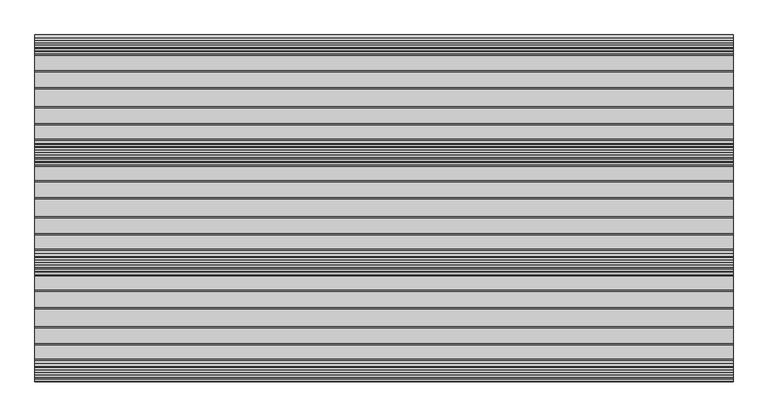
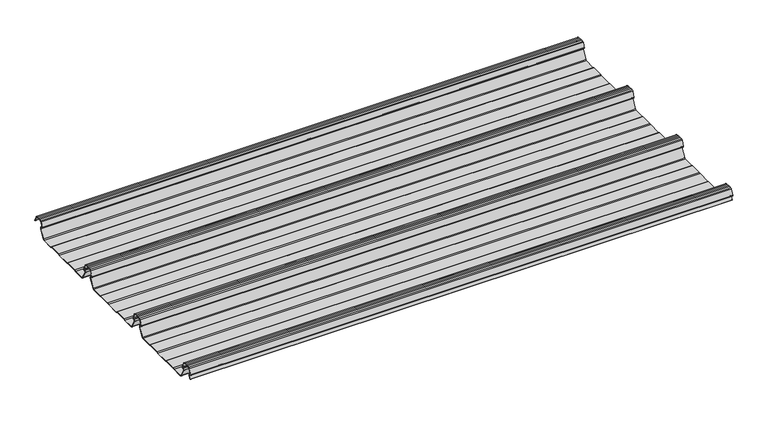
"""IFC4 building model written with IfcOpenShell, lengths in millimetres: beam geometry."""

import ifcopenshell
import ifcopenshell.guid

model = None  # the IFC model being written
_history = None  # IfcOwnerHistory: only IFC2X3 demands one
_inside = {}  # id of a spatial element -> (the spatial element, [elements in it])
_under = {}  # id of a project, library or spatial element -> (it, [spatial elements below it])
_declared = {}  # id of a project -> (the project, [libraries it declares])
_typed = {}  # id of a type object -> (the type object, [elements of that type])
_made_of = {}  # id of a material, layer set ... -> (it, [elements and type objects made of it])


def new_model(schema):
    """Start an empty IFC model of exactly this schema.

    Asked for "IFC4X3", IfcOpenShell would pick the latest addendum, in which some entities
    have other attributes; the version numbers below select the first issue.
    IFC2X3 requires an IfcOwnerHistory on every rooted entity: one is made here for all.
    """
    global model, _history
    if schema == "IFC4X3":
        model = ifcopenshell.file(schema_version=(4, 3, 0, 0))
    else:
        model = ifcopenshell.file(schema=schema)
    _inside.clear()
    _under.clear()
    _declared.clear()
    _typed.clear()
    _made_of.clear()
    _history = None
    if model.schema == "IFC2X3":
        org = make("IfcOrganization", Name="unknown")
        user = make(
            "IfcPersonAndOrganization",
            ThePerson=make("IfcPerson", FamilyName="unknown"),
            TheOrganization=org,
        )
        app = make(
            "IfcApplication",
            ApplicationDeveloper=org,
            Version="unknown",
            ApplicationFullName="unknown",
            ApplicationIdentifier="unknown",
        )
        _history = make(
            "IfcOwnerHistory",
            OwningUser=user,
            OwningApplication=app,
            ChangeAction="ADDED",
            CreationDate=0,
        )
    return model


def make(cls, **values):
    """One entity of the class cls with the attributes given. An attribute that is None is left unset."""
    return model.create_entity(
        cls, **{name: value for name, value in values.items() if value is not None}
    )


def rooted(cls, **values):
    """An entity with a GlobalId (a new one), such as an element, a storey or a relation."""
    return make(cls, GlobalId=ifcopenshell.guid.new(), OwnerHistory=_history, **values)


def si_unit(unit_type, name, prefix=None):
    """IfcSIUnit, for example si_unit("LENGTHUNIT", "METRE", prefix="MILLI")."""
    return make("IfcSIUnit", UnitType=unit_type, Prefix=prefix, Name=name)


def assignment(units):
    """IfcUnitAssignment: the units of a project."""
    return None if units is None else make("IfcUnitAssignment", Units=units)


def point(xyz):
    """IfcCartesianPoint."""
    return None if xyz is None else make("IfcCartesianPoint", Coordinates=xyz)


def direction(xyz):
    """IfcDirection."""
    return None if xyz is None else make("IfcDirection", DirectionRatios=xyz)


def frame(location, z_axis=None, x_axis=None):
    """IfcAxis2Placement3D, a coordinate frame: its origin and axes. An axis left out is left unset."""
    return make(
        "IfcAxis2Placement3D",
        Location=point(location),
        Axis=direction(z_axis),
        RefDirection=direction(x_axis),
    )


def frame_2d(location, x_axis=None):
    """IfcAxis2Placement2D, a coordinate frame in the plane: its origin and x axis."""
    return make(
        "IfcAxis2Placement2D", Location=point(location), RefDirection=direction(x_axis)
    )


def origin():
    """The frame at (0, 0, 0) with its axes left unset."""
    return frame((0.0, 0.0, 0.0))


def place(relative_to, where):
    """IfcLocalPlacement: puts the frame where relative to a parent placement (None: the world)."""
    return make(
        "IfcLocalPlacement", PlacementRelTo=relative_to, RelativePlacement=where
    )


def context(
    kind, dimensions, precision=None, world=None, true_north=None, identifier=None
):
    """IfcGeometricRepresentationContext, for example the 3D "Model" context."""
    return make(
        "IfcGeometricRepresentationContext",
        ContextIdentifier=identifier,
        ContextType=kind,
        CoordinateSpaceDimension=dimensions,
        Precision=precision,
        WorldCoordinateSystem=world,
        TrueNorth=true_north,
    )


def project(units=None, contexts=None):
    """IfcProject with its units and contexts."""
    return rooted(
        "IfcProject",
        Name="project",
        RepresentationContexts=contexts,
        UnitsInContext=assignment(units),
    )


def spatial(cls, under=None, at=None, **own):
    """A site, building, storey or space (cls), placed at a placement, below another one or the project."""
    s = rooted(cls, ObjectPlacement=at, **own)
    if under is not None:
        _under.setdefault(under.id(), (under, []))[1].append(s)
    return s


def polyline(points):
    """IfcPolyline through the points."""
    return make("IfcPolyline", Points=[point(p) for p in points])


def circle_curve(where, radius):
    """IfcCircle in the frame where."""
    return make("IfcCircle", Position=where, Radius=radius)


def trimmed(basis, trim1, trim2, sense, master):
    """IfcTrimmedCurve: the piece of a basis curve between two trims."""
    return make(
        "IfcTrimmedCurve",
        BasisCurve=basis,
        Trim1=trim1,
        Trim2=trim2,
        SenseAgreement=sense,
        MasterRepresentation=master,
    )


def segment(curve, same_sense, transition):
    """IfcCompositeCurveSegment."""
    return make(
        "IfcCompositeCurveSegment",
        Transition=transition,
        SameSense=same_sense,
        ParentCurve=curve,
    )


def composite_curve(segments, self_intersect=None):
    """IfcCompositeCurve: segments joined end to end."""
    return make("IfcCompositeCurve", Segments=segments, SelfIntersect=self_intersect)


def outline(outer, holes=None, kind="AREA"):
    """IfcArbitraryClosedProfileDef: a profile drawn as a closed curve; with holes, ...WithVoids."""
    if holes is None:
        return make("IfcArbitraryClosedProfileDef", ProfileType=kind, OuterCurve=outer)
    return make(
        "IfcArbitraryProfileDefWithVoids",
        ProfileType=kind,
        OuterCurve=outer,
        InnerCurves=holes,
    )


def extrude(swept, where, along, depth):
    """IfcExtrudedAreaSolid: the profile swept, set in the frame where, extruded along a direction by depth."""
    return make(
        "IfcExtrudedAreaSolid",
        SweptArea=swept,
        Position=where,
        ExtrudedDirection=direction(along),
        Depth=depth,
    )


def shape(context_of_items, identifier, shape_type, items):
    """IfcShapeRepresentation: the items that make up one representation, for example the "Body"."""
    return make(
        "IfcShapeRepresentation",
        ContextOfItems=context_of_items,
        RepresentationIdentifier=identifier,
        RepresentationType=shape_type,
        Items=items,
    )


def source(mapping_origin, context_of_items, identifier, shape_type, items):
    """IfcRepresentationMap: a shape defined once, which mapped items show again and again."""
    return make(
        "IfcRepresentationMap",
        MappingOrigin=mapping_origin,
        MappedRepresentation=shape(context_of_items, identifier, shape_type, items),
    )


def transform(
    local_origin,
    x_axis=None,
    y_axis=None,
    z_axis=None,
    scale=None,
    scale2=None,
    scale3=None,
    uniform=True,
):
    """IfcCartesianTransformationOperator3D, or its non-uniform kind. x_axis, y_axis, z_axis: its Axis1, 2, 3."""
    if uniform:
        return make(
            "IfcCartesianTransformationOperator3D",
            Axis1=direction(x_axis),
            Axis2=direction(y_axis),
            LocalOrigin=point(local_origin),
            Scale=scale,
            Axis3=direction(z_axis),
        )
    return make(
        "IfcCartesianTransformationOperator3DnonUniform",
        Axis1=direction(x_axis),
        Axis2=direction(y_axis),
        LocalOrigin=point(local_origin),
        Scale=scale,
        Axis3=direction(z_axis),
        Scale2=scale2,
        Scale3=scale3,
    )


def mapped(mapping_source, mapping_target):
    """IfcMappedItem: shows the shape of a source again, moved by a transform."""
    return make(
        "IfcMappedItem", MappingSource=mapping_source, MappingTarget=mapping_target
    )


def made_of(thing, what):
    """Note that an element or type object is made of a material, layer set ...; save() writes the relation."""
    if what is not None:
        _made_of.setdefault(what.id(), (what, []))[1].append(thing)
    return thing


def element(
    cls,
    number,
    at=None,
    inside=None,
    cuts=None,
    type_object=None,
    material=None,
    context=None,
    identifier="Body",
    shape_type=None,
    held_by="IfcProductDefinitionShape",
    body=None,
    shapes=None,
    **own,
):
    """One element of the class cls, such as IfcWall. Its Tag is "e" and its number.

    at: its placement. inside: the storey or other place that contains it. cuts: it is an
    opening in that element (IfcRelVoidsElement). A single representation is given by context,
    identifier, shape_type and body (its items); several are given by shapes. held_by: the class
    of the entity that holds the representations. save() writes the other relations.
    """
    e = rooted(cls, Tag="e%d" % number, ObjectPlacement=at, **own)
    if body is not None:
        shapes = [shape(context, identifier, shape_type, body)]
    if shapes is not None:
        e.Representation = make(held_by, Representations=shapes)
    if inside is not None:
        _inside.setdefault(inside.id(), (inside, []))[1].append(e)
    if cuts is not None:
        rooted(
            "IfcRelVoidsElement", RelatingBuildingElement=cuts, RelatedOpeningElement=e
        )
    if type_object is not None:
        _typed.setdefault(type_object.id(), (type_object, []))[1].append(e)
    return made_of(e, material)


def aggregate(whole, parts):
    """IfcRelAggregates: a whole, such as a stair, and the parts it consists of."""
    return rooted("IfcRelAggregates", RelatingObject=whole, RelatedObjects=parts)


def save(model, path):
    """Write the relations noted so far, then the file.

    IfcRelAggregates (storeys below a building ...), IfcRelContainedInSpatialStructure (elements
    in a storey), IfcRelDefinesByType, IfcRelAssociatesMaterial and IfcRelDeclares: one each for
    every whole, place, type object, material and project.
    """
    for whole, parts in _under.values():
        aggregate(whole, parts)
    for where, things in _inside.values():
        rooted(
            "IfcRelContainedInSpatialStructure",
            RelatedElements=things,
            RelatingStructure=where,
        )
    for kind, things in _typed.values():
        rooted("IfcRelDefinesByType", RelatedObjects=things, RelatingType=kind)
    for what, things in _made_of.values():
        rooted("IfcRelAssociatesMaterial", RelatedObjects=things, RelatingMaterial=what)
    for by, libraries in _declared.values():
        rooted("IfcRelDeclares", RelatingContext=by, RelatedDefinitions=libraries)
    model.write(path)


def beam_9c95ead0(model_context):
    return source(origin(), model_context, "Body", "SweptSolid", [
        extrude(outline(composite_curve([segment(polyline([(-71.5845817, -25.7896475), (-75.5750955, -23.7896475), (-115.9365369, -23.7896475), (-119.9270507, -25.7896475), (-165.064386, -25.7896475), (-169.0634631, -23.7896475), (-209.4249045, -23.7896475), (-213.4154183, -25.7896475), (-249.9368159, -25.7896475)]), True, "CONTINUOUS"), segment(trimmed(circle_curve(frame_2d((-249.1430949, -19.5172622)), 6.3224054), [point((-249.9368159, -25.7896475))], [point((-254.3909001, -23.043358))], False, "CARTESIAN"), True, "CONTINUOUS"), segment(polyline([(-254.3909001, -23.043358), (-270.0325911, 4.8351473)]), True, "CONTINUOUS"), segment(trimmed(circle_curve(frame_2d((-266.6708677, 6.5571131)), 3.7770822), [point((-270.0325911, 4.8351473))], [point((-266.7207168, 10.3338663))], False, "CARTESIAN"), True, "CONTINUOUS"), segment(polyline([(-266.7207168, 10.3338663), (-264.4732847, 10.3338663)]), True, "CONTINUOUS"), segment(trimmed(circle_curve(frame_2d((-264.3745993, 12.1960166)), 1.8647634), [point((-264.4732847, 10.3338663))], [point((-262.5802624, 12.703656))], True, "CARTESIAN"), True, "CONTINUOUS"), segment(polyline([(-262.5802624, 12.703656), (-269.7213818, 29.8243131)]), True, "CONTINUOUS"), segment(trimmed(circle_curve(frame_2d((-273.2989922, 28.107161)), 3.9683633), [point((-269.7213818, 29.8243131))], [point((-272.2707693, 31.9400014))], True, "CARTESIAN"), True, "CONTINUOUS"), segment(polyline([(-272.2707693, 31.9400014), (-278.5961509, 32.8910961), (-285.0, 33.2091202), (-291.4038491, 32.8910961), (-297.7292307, 31.9400014)]), True, "CONTINUOUS"), segment(trimmed(circle_curve(frame_2d((-296.7010078, 28.107161)), 3.9683633), [point((-297.7292307, 31.9400014))], [point((-300.2786182, 29.8243131))], True, "CARTESIAN"), True, "CONTINUOUS"), segment(polyline([(-300.2786182, 29.8243131), (-307.4197376, 12.703656)]), True, "CONTINUOUS"), segment(trimmed(circle_curve(frame_2d((-305.6254007, 12.1960166)), 1.8647634), [point((-307.4197376, 12.703656))], [point((-305.5267153, 10.3338663))], True, "CARTESIAN"), True, "CONTINUOUS"), segment(polyline([(-305.5267153, 10.3338663), (-303.2792832, 10.3338663)]), True, "CONTINUOUS"), segment(trimmed(circle_curve(frame_2d((-303.3291323, 6.5571131)), 3.7770822), [point((-303.2792832, 10.3338663))], [point((-299.9674089, 4.8351473))], False, "CARTESIAN"), True, "CONTINUOUS"), segment(polyline([(-299.9674089, 4.8351473), (-315.6090999, -23.043358)]), True, "CONTINUOUS"), segment(trimmed(circle_curve(frame_2d((-320.8569051, -19.5172622)), 6.3224054), [point((-315.6090999, -23.043358))], [point((-320.0631841, -25.7896475))], False, "CARTESIAN"), True, "CONTINUOUS"), segment(polyline([(-320.0631841, -25.7896475), (-356.5845817, -25.7896475), (-360.5750955, -23.7896475), (-400.9365369, -23.7896475), (-404.9270507, -25.7896475), (-450.064386, -25.7896475), (-454.0634631, -23.7896475), (-494.4249045, -23.7896475), (-498.4154183, -25.7896475), (-534.9368159, -25.7896475)]), True, "CONTINUOUS"), segment(trimmed(circle_curve(frame_2d((-534.1430949, -19.5172622)), 6.3224054), [point((-534.9368159, -25.7896475))], [point((-539.3909001, -23.043358))], False, "CARTESIAN"), True, "CONTINUOUS"), segment(polyline([(-539.3909001, -23.043358), (-555.0325911, 4.8351473)]), True, "CONTINUOUS"), segment(trimmed(circle_curve(frame_2d((-551.6708677, 6.5571131)), 3.7770822), [point((-555.0325911, 4.8351473))], [point((-551.7207168, 10.3338663))], False, "CARTESIAN"), True, "CONTINUOUS"), segment(polyline([(-551.7207168, 10.3338663), (-549.4732847, 10.3338663)]), True, "CONTINUOUS"), segment(trimmed(circle_curve(frame_2d((-549.3745993, 12.1960166)), 1.8647634), [point((-549.4732847, 10.3338663))], [point((-547.5802624, 12.703656))], True, "CARTESIAN"), True, "CONTINUOUS"), segment(polyline([(-547.5802624, 12.703656), (-554.7213818, 29.8243131)]), True, "CONTINUOUS"), segment(trimmed(circle_curve(frame_2d((-558.2989922, 28.107161)), 3.9683633), [point((-554.7213818, 29.8243131))], [point((-557.2707693, 31.9400014))], True, "CARTESIAN"), True, "CONTINUOUS"), segment(polyline([(-557.2707693, 31.9400014), (-563.5961509, 32.8910961), (-570.0, 33.2091202), (-576.4038491, 32.8910961), (-582.7292307, 31.9400014)]), True, "CONTINUOUS"), segment(trimmed(circle_curve(frame_2d((-581.7010078, 28.107161)), 3.9683633), [point((-582.7292307, 31.9400014))], [point((-585.2786182, 29.8243131))], True, "CARTESIAN"), True, "CONTINUOUS"), segment(polyline([(-585.2786182, 29.8243131), (-592.4197376, 12.703656)]), True, "CONTINUOUS"), segment(trimmed(circle_curve(frame_2d((-590.6254007, 12.1960166)), 1.8647634), [point((-592.4197376, 12.703656))], [point((-590.5267153, 10.3338663))], True, "CARTESIAN"), True, "CONTINUOUS"), segment(polyline([(-590.5267153, 10.3338663), (-588.2792832, 10.3338663)]), True, "CONTINUOUS"), segment(trimmed(circle_curve(frame_2d((-588.3291323, 6.5571131)), 3.7770822), [point((-588.2792832, 10.3338663))], [point((-584.9674089, 4.8351473))], False, "CARTESIAN"), True, "CONTINUOUS"), segment(polyline([(-584.9674089, 4.8351473), (-600.6090999, -23.043358)]), True, "CONTINUOUS"), segment(trimmed(circle_curve(frame_2d((-605.8569051, -19.5172622)), 6.3224054), [point((-600.6090999, -23.043358))], [point((-605.0631841, -25.7896475))], False, "CARTESIAN"), True, "CONTINUOUS"), segment(polyline([(-605.0631841, -25.7896475), (-641.5845817, -25.7896475), (-645.5750955, -23.7896475), (-685.9365369, -23.7896475), (-689.9270507, -25.7896475), (-735.064386, -25.7896475), (-739.0634631, -23.7896475), (-779.4249045, -23.7896475), (-783.4154183, -25.7896475), (-819.9368159, -25.7896475)]), True, "CONTINUOUS"), segment(trimmed(circle_curve(frame_2d((-819.1430949, -19.5172622)), 6.3224054), [point((-819.9368159, -25.7896475))], [point((-824.3909001, -23.043358))], False, "CARTESIAN"), True, "CONTINUOUS"), segment(polyline([(-824.3909001, -23.043358), (-840.0325911, 4.8351473)]), True, "CONTINUOUS"), segment(trimmed(circle_curve(frame_2d((-836.6708677, 6.5571131)), 3.7770822), [point((-840.0325911, 4.8351473))], [point((-836.7207168, 10.3338663))], False, "CARTESIAN"), True, "CONTINUOUS"), segment(polyline([(-836.7207168, 10.3338663), (-834.4732847, 10.3338663)]), True, "CONTINUOUS"), segment(trimmed(circle_curve(frame_2d((-834.3745993, 12.1960166)), 1.8647634), [point((-834.4732847, 10.3338663))], [point((-832.5802624, 12.703656))], True, "CARTESIAN"), True, "CONTINUOUS"), segment(polyline([(-832.5802624, 12.703656), (-839.7213818, 29.8243131)]), True, "CONTINUOUS"), segment(trimmed(circle_curve(frame_2d((-843.2989922, 28.107161)), 3.9683633), [point((-839.7213818, 29.8243131))], [point((-842.2707693, 31.9400014))], True, "CARTESIAN"), True, "CONTINUOUS"), segment(polyline([(-842.2707693, 31.9400014), (-848.5961509, 32.8910961), (-855.0, 33.2091202), (-861.4038491, 32.8910961), (-867.7292307, 31.9400014)]), True, "CONTINUOUS"), segment(trimmed(circle_curve(frame_2d((-866.7010078, 28.107161)), 3.9683633), [point((-867.7292307, 31.9400014))], [point((-870.2786182, 29.8243131))], True, "CARTESIAN"), True, "CONTINUOUS"), segment(polyline([(-870.2786182, 29.8243131), (-877.4197376, 12.703656)]), True, "CONTINUOUS"), segment(trimmed(circle_curve(frame_2d((-875.6254007, 12.1960166)), 1.8647634), [point((-877.4197376, 12.703656))], [point((-875.5267153, 10.3338663))], True, "CARTESIAN"), True, "CONTINUOUS"), segment(polyline([(-875.5267153, 10.3338663), (-873.2792832, 10.3338663)]), True, "CONTINUOUS"), segment(trimmed(circle_curve(frame_2d((-873.3291323, 6.5571131)), 3.7770822), [point((-873.2792832, 10.3338663))], [point((-869.9674089, 4.8351473))], False, "CARTESIAN"), True, "CONTINUOUS"), segment(polyline([(-869.9674089, 4.8351473), (-875.3151817, -4.6962972)]), True, "CONTINUOUS"), segment(trimmed(circle_curve(frame_2d((-875.7512363, -4.4516417)), 0.5), [point((-875.3151817, -4.6962972))], [point((-876.1872909, -4.2069861))], False, "CARTESIAN"), True, "CONTINUOUS"), segment(polyline([(-876.1872909, -4.2069861), (-870.8495085, 5.3066525)]), True, "CONTINUOUS"), segment(trimmed(circle_curve(frame_2d((-873.3291323, 6.5571131)), 2.7770822), [point((-870.8495085, 5.3066525))], [point((-873.2863888, 9.3338663))], True, "CARTESIAN"), True, "CONTINUOUS"), segment(polyline([(-873.2863888, 9.3338663), (-875.5030691, 9.3338663)]), True, "CONTINUOUS"), segment(trimmed(circle_curve(frame_2d((-875.6254007, 12.1960166)), 2.8647634), [point((-875.5030691, 9.3338663))], [point((-878.3632227, 13.0393434))], False, "CARTESIAN"), True, "CONTINUOUS"), segment(polyline([(-878.3632227, 13.0393434), (-871.1920419, 30.2320721)]), True, "CONTINUOUS"), segment(trimmed(circle_curve(frame_2d((-866.7010078, 28.107161)), 4.9683633), [point((-871.1920419, 30.2320721))], [point((-867.9306348, 32.920959))], False, "CARTESIAN"), True, "CONTINUOUS"), segment(polyline([(-867.9306348, 32.920959), (-861.5032408, 33.8873925), (-855.0, 34.2103525), (-848.4967592, 33.8873925), (-842.0693652, 32.920959)]), True, "CONTINUOUS"), segment(trimmed(circle_curve(frame_2d((-843.2989922, 28.107161)), 4.9683633), [point((-842.0693652, 32.920959))], [point((-838.8079581, 30.2320721))], False, "CARTESIAN"), True, "CONTINUOUS"), segment(polyline([(-838.8079581, 30.2320721), (-831.6367773, 13.0393434)]), True, "CONTINUOUS"), segment(trimmed(circle_curve(frame_2d((-834.3745993, 12.1960166)), 2.8647634), [point((-831.6367773, 13.0393434))], [point((-834.4969309, 9.3338663))], False, "CARTESIAN"), True, "CONTINUOUS"), segment(polyline([(-834.4969309, 9.3338663), (-836.7136112, 9.3338663)]), True, "CONTINUOUS"), segment(trimmed(circle_curve(frame_2d((-836.6708677, 6.5571131)), 2.7770822), [point((-836.7136112, 9.3338663))], [point((-839.1504915, 5.3066525))], True, "CARTESIAN"), True, "CONTINUOUS"), segment(polyline([(-839.1504915, 5.3066525), (-823.5393019, -22.5174895)]), True, "CONTINUOUS"), segment(trimmed(circle_curve(frame_2d((-819.1430949, -19.5172622)), 5.3224054), [point((-823.5393019, -22.5174895))], [point((-819.8710735, -24.7896475))], True, "CARTESIAN"), True, "CONTINUOUS"), segment(polyline([(-819.8710735, -24.7896475), (-783.651988, -24.7896475), (-779.6614742, -22.7896475), (-738.8268934, -22.7896475), (-734.8363796, -24.7896475), (-690.1636204, -24.7896475), (-686.1731066, -22.7896475), (-645.3385258, -22.7896475), (-641.348012, -24.7896475), (-605.1289265, -24.7896475)]), True, "CONTINUOUS"), segment(trimmed(circle_curve(frame_2d((-605.8569051, -19.5172622)), 5.3224054), [point((-605.1289265, -24.7896475))], [point((-601.4606981, -22.5174895))], True, "CARTESIAN"), True, "CONTINUOUS"), segment(polyline([(-601.4606981, -22.5174895), (-585.8495085, 5.3066525)]), True, "CONTINUOUS"), segment(trimmed(circle_curve(frame_2d((-588.3291323, 6.5571131)), 2.7770822), [point((-585.8495085, 5.3066525))], [point((-588.2863888, 9.3338663))], True, "CARTESIAN"), True, "CONTINUOUS"), segment(polyline([(-588.2863888, 9.3338663), (-590.5030691, 9.3338663)]), True, "CONTINUOUS"), segment(trimmed(circle_curve(frame_2d((-590.6254007, 12.1960166)), 2.8647634), [point((-590.5030691, 9.3338663))], [point((-593.3632227, 13.0393434))], False, "CARTESIAN"), True, "CONTINUOUS"), segment(polyline([(-593.3632227, 13.0393434), (-586.1920419, 30.2320721)]), True, "CONTINUOUS"), segment(trimmed(circle_curve(frame_2d((-581.7010078, 28.107161)), 4.9683633), [point((-586.1920419, 30.2320721))], [point((-582.9306348, 32.920959))], False, "CARTESIAN"), True, "CONTINUOUS"), segment(polyline([(-582.9306348, 32.920959), (-576.5032408, 33.8873925), (-570.0, 34.2103525), (-563.4967592, 33.8873925), (-557.0693652, 32.920959)]), True, "CONTINUOUS"), segment(trimmed(circle_curve(frame_2d((-558.2989922, 28.107161)), 4.9683633), [point((-557.0693652, 32.920959))], [point((-553.8079581, 30.2320721))], False, "CARTESIAN"), True, "CONTINUOUS"), segment(polyline([(-553.8079581, 30.2320721), (-546.6367773, 13.0393434)]), True, "CONTINUOUS"), segment(trimmed(circle_curve(frame_2d((-549.3745993, 12.1960166)), 2.8647634), [point((-546.6367773, 13.0393434))], [point((-549.4969309, 9.3338663))], False, "CARTESIAN"), True, "CONTINUOUS"), segment(polyline([(-549.4969309, 9.3338663), (-551.7136112, 9.3338663)]), True, "CONTINUOUS"), segment(trimmed(circle_curve(frame_2d((-551.6708677, 6.5571131)), 2.7770822), [point((-551.7136112, 9.3338663))], [point((-554.1504915, 5.3066525))], True, "CARTESIAN"), True, "CONTINUOUS"), segment(polyline([(-554.1504915, 5.3066525), (-538.5393019, -22.5174895)]), True, "CONTINUOUS"), segment(trimmed(circle_curve(frame_2d((-534.1430949, -19.5172622)), 5.3224054), [point((-538.5393019, -22.5174895))], [point((-534.8710735, -24.7896475))], True, "CARTESIAN"), True, "CONTINUOUS"), segment(polyline([(-534.8710735, -24.7896475), (-498.651988, -24.7896475), (-494.6614742, -22.7896475), (-453.8268934, -22.7896475), (-449.8363796, -24.7896475), (-405.1636204, -24.7896475), (-401.1731066, -22.7896475), (-360.3385258, -22.7896475), (-356.348012, -24.7896475), (-320.1289265, -24.7896475)]), True, "CONTINUOUS"), segment(trimmed(circle_curve(frame_2d((-320.8569051, -19.5172622)), 5.3224054), [point((-320.1289265, -24.7896475))], [point((-316.4606981, -22.5174895))], True, "CARTESIAN"), True, "CONTINUOUS"), segment(polyline([(-316.4606981, -22.5174895), (-300.8495085, 5.3066525)]), True, "CONTINUOUS"), segment(trimmed(circle_curve(frame_2d((-303.3291323, 6.5571131)), 2.7770822), [point((-300.8495085, 5.3066525))], [point((-303.2863888, 9.3338663))], True, "CARTESIAN"), True, "CONTINUOUS"), segment(polyline([(-303.2863888, 9.3338663), (-305.5030691, 9.3338663)]), True, "CONTINUOUS"), segment(trimmed(circle_curve(frame_2d((-305.6254007, 12.1960166)), 2.8647634), [point((-305.5030691, 9.3338663))], [point((-308.3632227, 13.0393434))], False, "CARTESIAN"), True, "CONTINUOUS"), segment(polyline([(-308.3632227, 13.0393434), (-301.1920419, 30.2320721)]), True, "CONTINUOUS"), segment(trimmed(circle_curve(frame_2d((-296.7010078, 28.107161)), 4.9683633), [point((-301.1920419, 30.2320721))], [point((-297.9306348, 32.920959))], False, "CARTESIAN"), True, "CONTINUOUS"), segment(polyline([(-297.9306348, 32.920959), (-291.5032408, 33.8873925), (-285.0, 34.2103525), (-278.4967592, 33.8873925), (-272.0693652, 32.920959)]), True, "CONTINUOUS"), segment(trimmed(circle_curve(frame_2d((-273.2989922, 28.107161)), 4.9683633), [point((-272.0693652, 32.920959))], [point((-268.8079581, 30.2320721))], False, "CARTESIAN"), True, "CONTINUOUS"), segment(polyline([(-268.8079581, 30.2320721), (-261.6367773, 13.0393434)]), True, "CONTINUOUS"), segment(trimmed(circle_curve(frame_2d((-264.3745993, 12.1960166)), 2.8647634), [point((-261.6367773, 13.0393434))], [point((-264.4969309, 9.3338663))], False, "CARTESIAN"), True, "CONTINUOUS"), segment(polyline([(-264.4969309, 9.3338663), (-266.7136112, 9.3338663)]), True, "CONTINUOUS"), segment(trimmed(circle_curve(frame_2d((-266.6708677, 6.5571131)), 2.7770822), [point((-266.7136112, 9.3338663))], [point((-269.1504915, 5.3066525))], True, "CARTESIAN"), True, "CONTINUOUS"), segment(polyline([(-269.1504915, 5.3066525), (-253.5393019, -22.5174895)]), True, "CONTINUOUS"), segment(trimmed(circle_curve(frame_2d((-249.1430949, -19.5172622)), 5.3224054), [point((-253.5393019, -22.5174895))], [point((-249.8710735, -24.7896475))], True, "CARTESIAN"), True, "CONTINUOUS"), segment(polyline([(-249.8710735, -24.7896475), (-213.651988, -24.7896475), (-209.6614742, -22.7896475), (-168.8268934, -22.7896475), (-164.8363796, -24.7896475), (-120.1636204, -24.7896475), (-116.1731066, -22.7896475), (-75.3385258, -22.7896475), (-71.348012, -24.7896475), (-32.8356359, -24.7896475)]), True, "CONTINUOUS"), segment(trimmed(circle_curve(frame_2d((-33.5636145, -19.5172622)), 5.3224054), [point((-32.8356359, -24.7896475))], [point((-29.1674075, -22.5174895))], True, "CARTESIAN"), True, "CONTINUOUS"), segment(polyline([(-29.1674075, -22.5174895), (-14.086566, 4.3614023)]), True, "CONTINUOUS"), segment(trimmed(circle_curve(frame_2d((-18.3291323, 6.5571131)), 4.7770822), [point((-14.086566, 4.3614023))], [point((-18.2730711, 11.3338663))], True, "CARTESIAN"), True, "CONTINUOUS"), segment(polyline([(-18.2730711, 11.3338663), (-19.7033043, 11.3338663)]), True, "CONTINUOUS"), segment(trimmed(circle_curve(frame_2d((-19.7033043, 12.8027898)), 1.4689236), [point((-19.7033043, 11.3338663))], [point((-21.0590224, 13.3682673))], False, "CARTESIAN"), True, "CONTINUOUS"), segment(polyline([(-21.0590224, 13.3682673), (-14.3664909, 29.4134461)]), True, "CONTINUOUS"), segment(trimmed(circle_curve(frame_2d((-11.7010078, 28.107161)), 2.9683633), [point((-14.3664909, 29.4134461))], [point((-12.5206202, 30.9601273))], False, "CARTESIAN"), True, "CONTINUOUS"), segment(polyline([(-12.5206202, 30.9601273), (-6.3044575, 31.8947996), (0.0, 32.2078878), (6.3044575, 31.8947996), (12.5206202, 30.9601273)]), True, "CONTINUOUS"), segment(trimmed(circle_curve(frame_2d((11.7010078, 28.107161)), 2.9683633), [point((12.5206202, 30.9601273))], [point((14.3664909, 29.4134461))], False, "CARTESIAN"), True, "CONTINUOUS"), segment(polyline([(14.3664909, 29.4134461), (21.0709178, 13.3397484)]), True, "CONTINUOUS"), segment(trimmed(circle_curve(frame_2d((20.6094513, 13.1472682)), 0.5), [point((21.0709178, 13.3397484))], [point((20.1479847, 12.954788))], False, "CARTESIAN"), True, "CONTINUOUS"), segment(polyline([(20.1479847, 12.954788), (13.4564022, 28.9976916)]), True, "CONTINUOUS"), segment(trimmed(circle_curve(frame_2d((11.7010078, 28.107161)), 1.9683633), [point((13.4564022, 28.9976916))], [point((12.300662, 29.9819594))], True, "CARTESIAN"), True, "CONTINUOUS"), segment(polyline([(12.300662, 29.9819594), (6.2050659, 30.8985032), (0.0, 31.2066554), (-6.2050659, 30.8985032), (-12.300662, 29.9819594)]), True, "CONTINUOUS"), segment(trimmed(circle_curve(frame_2d((-11.7010078, 28.107161)), 1.9683633), [point((-12.300662, 29.9819594))], [point((-13.4564022, 28.9976916))], True, "CARTESIAN"), True, "CONTINUOUS"), segment(polyline([(-13.4564022, 28.9976916), (-20.1360894, 12.9833069)]), True, "CONTINUOUS"), segment(trimmed(circle_curve(frame_2d((-19.7033043, 12.8027898)), 0.4689236), [point((-20.1360894, 12.9833069))], [point((-19.7033043, 12.3338663))], True, "CARTESIAN"), True, "CONTINUOUS"), segment(polyline([(-19.7033043, 12.3338663), (-18.2674818, 12.3338663)]), True, "CONTINUOUS"), segment(trimmed(circle_curve(frame_2d((-18.3291323, 6.5571131)), 5.7770822), [point((-18.2674818, 12.3338663))], [point((-13.2065988, 3.8860964))], False, "CARTESIAN"), True, "CONTINUOUS"), segment(polyline([(-13.2065988, 3.8860964), (-28.3158093, -23.043358)]), True, "CONTINUOUS"), segment(trimmed(circle_curve(frame_2d((-33.5636145, -19.5172622)), 6.3224054), [point((-28.3158093, -23.043358))], [point((-32.7698935, -25.7896475))], False, "CARTESIAN"), True, "CONTINUOUS"), segment(polyline([(-32.7698935, -25.7896475), (-71.5845817, -25.7896475)]), True, "CONTINUOUS")], self_intersect=False)), frame((-905.0, 0.0, 0.0), z_axis=(1.0, 0.0, 0.0), x_axis=(0.0, 1.0, 0.0)), (0.0, 0.0, 1.0), 1810.0),
    ])


if __name__ == "__main__":
    model = new_model("IFC4")
    model_context = context("Model", 3, world=origin())
    ifc_project = project(units=[si_unit("LENGTHUNIT", "METRE", prefix="MILLI")], contexts=[model_context])
    site = spatial("IfcSite", under=ifc_project)
    building = spatial("IfcBuilding", under=site)
    placement = place(None, origin())
    beam_shape = beam_9c95ead0(model_context)
    element("IfcBeam", 1, at=placement, inside=building, context=model_context, shape_type="MappedRepresentation", body=[
        mapped(beam_shape, transform((0.0, 0.0, 0.0), x_axis=(1.0, 0.0, 0.0), y_axis=(0.0, 1.0, 0.0), z_axis=(0.0, 0.0, 1.0))),
    ])
    save(model, "model.ifc")
